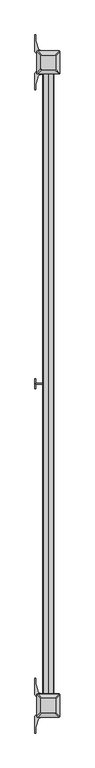
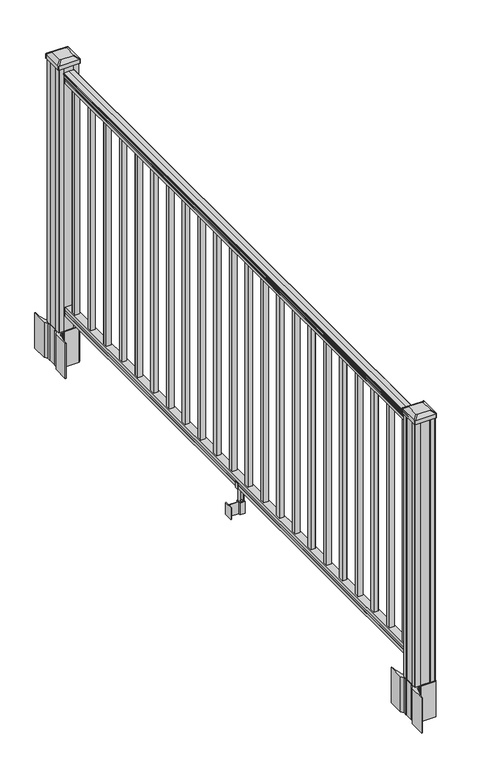
"""IFC4 building model written with IfcOpenShell, lengths in millimetres: railing geometry."""

from ifc_helpers import new_model, si_unit, point, frame, frame_2d, origin, origin_with_axes, place, context, project, spatial, polyline, circle_curve, trimmed, segment, composite_curve, outline, extrude, faceted_brep, source, transform, mapped, element, save
from ifc_brep_helpers import plane_surface, cylinder_surface, revolved_surface, extruded_surface, advanced_brep


def railing_958573cc(model_context):
    return source(origin(), model_context, "Body", "SolidModel", [
        advanced_brep(
        [(4857.2868644, -6834.1137002, 1090.8043297), (4857.2868644, -6834.1137002, 1092.692412), (4858.4170507, -6834.1137002, 1094.2546695), (4858.4170507, -6834.1137002, 1101.4726458), (4857.7677942, -6834.1137002, 1103.9060812), (4860.2677942, -6834.1137002, 1108.2362083), (4861.6771367, -6834.1137002, 1109.9157972), (4862.0790357, -6834.1137002, 1111.0205318), (4862.0790356, -6834.1137002, 1112.3608158), (4860.5255884, -6834.1137002, 1113.914263), (4839.8540356, -6834.1137002, 1113.914263), (4819.1824828, -6834.1137002, 1113.914263), (4817.6290356, -6834.1137002, 1112.3608158), (4817.6290356, -6834.1137002, 1111.0205318), (4818.0309345, -6834.1137002, 1109.9157972), (4819.440277, -6834.1137002, 1108.2362083), (4821.940277, -6834.1137002, 1103.9060812), (4821.2910206, -6834.1137002, 1101.4726458), (4821.2910206, -6834.1137002, 1094.2546695), (4822.4212069, -6834.1137002, 1092.692412), (4822.4212069, -6834.1137002, 1090.8043297), (4824.9950356, -6834.1137002, 1090.8043297), (4824.9950356, -6834.1137002, 1080.3048283), (4823.9790356, -6834.1137002, 1079.2888283), (4823.9790356, -6834.1137002, 1066.8), (4855.7290356, -6834.1137002, 1066.8), (4855.7290356, -6834.1137002, 1079.131013), (4854.7130356, -6834.1137002, 1080.147013), (4854.7130356, -6834.1137002, 1090.8043297), (4857.2868644, -4395.7137002, 1090.8043297), (4854.7130356, -4395.7137002, 1090.8043297), (4854.7130356, -4395.7137002, 1080.147013), (4855.7290356, -4395.7137002, 1079.131013), (4855.7290356, -4395.7137002, 1066.8), (4823.9790356, -4395.7137002, 1066.8), (4823.9790356, -4395.7137002, 1079.2888283), (4824.9950356, -4395.7137002, 1080.3048283), (4824.9950356, -4395.7137002, 1090.8043297), (4822.4212069, -4395.7137002, 1090.8043297), (4822.4212069, -4395.7137002, 1092.692412), (4821.2910206, -4395.7137002, 1094.2546695), (4821.2910206, -4395.7137002, 1101.4726458), (4821.940277, -4395.7137002, 1103.9060812), (4819.440277, -4395.7137002, 1108.2362083), (4818.0309345, -4395.7137002, 1109.9157972), (4817.6290355, -4395.7137002, 1111.0205318), (4817.6290356, -4395.7137002, 1112.3608158), (4819.1824828, -4395.7137002, 1113.914263), (4839.8540356, -4395.7137002, 1113.914263), (4860.5255884, -4395.7137002, 1113.914263), (4862.0790356, -4395.7137002, 1112.3608158), (4862.0790356, -4395.7137002, 1111.0205318), (4861.6771367, -4395.7137002, 1109.9157972), (4860.2677942, -4395.7137002, 1108.2362083), (4857.7677942, -4395.7137002, 1103.9060812), (4858.4170507, -4395.7137002, 1101.4726458), (4858.4170507, -4395.7137002, 1094.2546695), (4857.2868644, -4395.7137002, 1092.692412)],
        [
            (0, 1),
            (1, 2, circle_curve(frame((4850.9721111, -6834.1137002, 1098.4506383), z_axis=(0.0, -1.0, 0.0), x_axis=(-1.0, 0.0, 0.0)), 8.545951)),
            (2, 3, circle_curve(frame((4851.409174, -6834.1137002, 1097.8636577), z_axis=(0.0, -1.0, 0.0), x_axis=(-1.0, 0.0, 0.0)), 7.882584)),
            (3, 4, circle_curve(frame((4861.9224982, -6834.1137002, 1103.7112527), z_axis=(0.0, 1.0, 0.0), x_axis=(-1.0, 0.0, 0.0)), 4.1592695)),
            (4, 5, circle_curve(frame((4863.2098047, -6834.1137002, 1103.6508864), z_axis=(0.0, 1.0, 0.0), x_axis=(-1.0, 0.0, 0.0)), 5.4479907)),
            (5, 6, circle_curve(frame((4861.9766463, -6834.1137002, 1108.233395), z_axis=(0.0, 1.0, 0.0), x_axis=(-1.0, 0.0, 0.0)), 1.7088543)),
            (6, 7, circle_curve(frame((4860.3597462, -6834.1137002, 1111.0205318), z_axis=(0.0, -1.0, 0.0), x_axis=(-1.0, 0.0, 0.0)), 1.7192895)),
            (7, 8),
            (8, 9, circle_curve(frame((4860.5255884, -6834.1137002, 1112.3608158), z_axis=(0.0, -1.0, 0.0), x_axis=(-1.0, 0.0, 0.0)), 1.5534472)),
            (9, 10),
            (10, 11),
            (11, 12, circle_curve(frame((4819.1824828, -6834.1137002, 1112.3608158), z_axis=(0.0, -1.0, 0.0), x_axis=(1.0, 0.0, 0.0)), 1.5534472)),
            (12, 13),
            (13, 14, circle_curve(frame((4819.348325, -6834.1137002, 1111.0205318), z_axis=(0.0, -1.0, 0.0), x_axis=(1.0, 0.0, 0.0)), 1.7192895)),
            (14, 15, circle_curve(frame((4817.731425, -6834.1137002, 1108.233395), z_axis=(0.0, 1.0, 0.0), x_axis=(1.0, 0.0, 0.0)), 1.7088543)),
            (15, 16, circle_curve(frame((4816.4982665, -6834.1137002, 1103.6508864), z_axis=(0.0, 1.0, 0.0), x_axis=(1.0, 0.0, 0.0)), 5.4479907)),
            (16, 17, circle_curve(frame((4817.7855731, -6834.1137002, 1103.7112527), z_axis=(0.0, 1.0, 0.0), x_axis=(1.0, 0.0, 0.0)), 4.1592695)),
            (17, 18, circle_curve(frame((4828.2988972, -6834.1137002, 1097.8636577), z_axis=(0.0, -1.0, 0.0), x_axis=(1.0, 0.0, 0.0)), 7.882584)),
            (18, 19, circle_curve(frame((4828.7359602, -6834.1137002, 1098.4506383), z_axis=(0.0, -1.0, 0.0), x_axis=(1.0, 0.0, 0.0)), 8.545951)),
            (19, 20),
            (20, 21, circle_curve(frame((4823.7081212, -6834.1137002, 1090.8043297), z_axis=(0.0, -1.0, 0.0), x_axis=(1.0, 0.0, 0.0)), 1.2869144)),
            (21, 22),
            (22, 23),
            (23, 24),
            (24, 25),
            (25, 26),
            (26, 27),
            (27, 28),
            (28, 0, circle_curve(frame((4855.99995, -6834.1137002, 1090.8043297), z_axis=(0.0, -1.0, 0.0), x_axis=(-1.0, 0.0, 0.0)), 1.2869144)),
            (29, 30, circle_curve(frame((4855.99995, -4395.7137002, 1090.8043297), z_axis=(0.0, 1.0, 0.0), x_axis=(-1.0, 0.0, 0.0)), 1.2869144)),
            (30, 31),
            (31, 32),
            (32, 33),
            (33, 34),
            (34, 35),
            (35, 36),
            (36, 37),
            (37, 38, circle_curve(frame((4823.7081212, -4395.7137002, 1090.8043297), z_axis=(0.0, 1.0, 0.0), x_axis=(1.0, 0.0, 0.0)), 1.2869144)),
            (38, 39),
            (39, 40, circle_curve(frame((4828.7359602, -4395.7137002, 1098.4506383), z_axis=(0.0, 1.0, 0.0), x_axis=(1.0, 0.0, 0.0)), 8.545951)),
            (40, 41, circle_curve(frame((4828.2988972, -4395.7137002, 1097.8636577), z_axis=(0.0, 1.0, 0.0), x_axis=(1.0, 0.0, 0.0)), 7.882584)),
            (41, 42, circle_curve(frame((4817.7855731, -4395.7137002, 1103.7112527), z_axis=(0.0, -1.0, 0.0), x_axis=(1.0, 0.0, 0.0)), 4.1592695)),
            (42, 43, circle_curve(frame((4816.4982665, -4395.7137002, 1103.6508864), z_axis=(0.0, -1.0, 0.0), x_axis=(1.0, 0.0, 0.0)), 5.4479907)),
            (43, 44, circle_curve(frame((4817.731425, -4395.7137002, 1108.233395), z_axis=(0.0, -1.0, 0.0), x_axis=(1.0, 0.0, 0.0)), 1.7088543)),
            (44, 45, circle_curve(frame((4819.348325, -4395.7137002, 1111.0205318), z_axis=(0.0, 1.0, 0.0), x_axis=(1.0, 0.0, 0.0)), 1.7192895)),
            (45, 46),
            (46, 47, circle_curve(frame((4819.1824828, -4395.7137002, 1112.3608158), z_axis=(0.0, 1.0, 0.0), x_axis=(1.0, 0.0, 0.0)), 1.5534472)),
            (47, 48),
            (48, 49),
            (49, 50, circle_curve(frame((4860.5255884, -4395.7137002, 1112.3608158), z_axis=(0.0, 1.0, 0.0), x_axis=(-1.0, 0.0, 0.0)), 1.5534472)),
            (50, 51),
            (51, 52, circle_curve(frame((4860.3597462, -4395.7137002, 1111.0205318), z_axis=(0.0, 1.0, 0.0), x_axis=(-1.0, 0.0, 0.0)), 1.7192895)),
            (52, 53, circle_curve(frame((4861.9766463, -4395.7137002, 1108.233395), z_axis=(0.0, -1.0, 0.0), x_axis=(-1.0, 0.0, 0.0)), 1.7088543)),
            (53, 54, circle_curve(frame((4863.2098047, -4395.7137002, 1103.6508864), z_axis=(0.0, -1.0, 0.0), x_axis=(-1.0, 0.0, 0.0)), 5.4479907)),
            (54, 55, circle_curve(frame((4861.9224982, -4395.7137002, 1103.7112527), z_axis=(0.0, -1.0, 0.0), x_axis=(-1.0, 0.0, 0.0)), 4.1592695)),
            (55, 56, circle_curve(frame((4851.409174, -4395.7137002, 1097.8636577), z_axis=(0.0, 1.0, 0.0), x_axis=(-1.0, 0.0, 0.0)), 7.882584)),
            (56, 57, circle_curve(frame((4850.9721111, -4395.7137002, 1098.4506383), z_axis=(0.0, 1.0, 0.0), x_axis=(-1.0, 0.0, 0.0)), 8.545951)),
            (57, 29),
            (28, 30),
            (29, 0),
            (27, 31),
            (26, 32),
            (25, 33),
            (24, 34),
            (23, 35),
            (22, 36),
            (21, 37),
            (20, 38),
            (19, 39),
            (18, 40),
            (17, 41),
            (16, 42),
            (15, 43),
            (14, 44),
            (13, 45),
            (12, 46),
            (11, 47),
            (10, 48),
            (9, 49),
            (8, 50),
            (7, 51),
            (6, 52),
            (5, 53),
            (4, 54),
            (3, 55),
            (2, 56),
            (1, 57),
        ],
        [
            plane_surface(frame((4839.8540356, -6834.1137002, 1066.8), z_axis=(0.0, -1.0, 0.0), x_axis=(0.0, 0.0, 1.0))),
            plane_surface(frame((4839.8540356, -4395.7137002, 1066.8), z_axis=(0.0, 1.0, 0.0), x_axis=(0.0, 0.0, 1.0))),
            cylinder_surface(frame((4855.99995, -6834.1137002, 1090.8043297), z_axis=(0.0, -1.0, 0.0), x_axis=(-1.0, 0.0, 0.0)), 1.2869144),
            plane_surface(frame((4854.7130356, -6834.1137002, 1080.147013), z_axis=(1.0, 0.0, 0.0), x_axis=(0.0, 1.0, 0.0))),
            plane_surface(frame((4855.7290356, -6834.1137002, 1079.131013), z_axis=(0.7071067811865395, 0.0, 0.7071067811865556), x_axis=(0.0, 1.0, 0.0))),
            plane_surface(frame((4855.7290356, -6834.1137002, 1066.8), z_axis=(1.0, 0.0, 0.0), x_axis=(0.0, 1.0, 0.0))),
            plane_surface(frame((4823.9790356, -6834.1137002, 1066.8), z_axis=(0.0, 0.0, -1.0), x_axis=(0.0, 1.0, 0.0))),
            plane_surface(frame((4823.9790356, -6834.1137002, 1079.2888283), z_axis=(-1.0, 0.0, 0.0), x_axis=(0.0, 1.0, 0.0))),
            plane_surface(frame((4824.9950356, -6834.1137002, 1080.3048283), z_axis=(-0.7071067811865432, 0.0, 0.707106781186552), x_axis=(0.0, 1.0, 0.0))),
            plane_surface(frame((4824.9950356, -6834.1137002, 1090.8043297), z_axis=(-1.0, 0.0, 0.0), x_axis=(0.0, 1.0, 0.0))),
            cylinder_surface(frame((4823.7081212, -6834.1137002, 1090.8043297), z_axis=(0.0, -1.0, 0.0), x_axis=(1.0, 0.0, 0.0)), 1.2869144),
            plane_surface(frame((4822.4212069, -6834.1137002, 1092.692412), z_axis=(-1.0, 0.0, 0.0), x_axis=(0.0, 1.0, 0.0))),
            cylinder_surface(frame((4828.7359602, -6834.1137002, 1098.4506383), z_axis=(0.0, -1.0, 0.0), x_axis=(1.0, 0.0, 0.0)), 8.545951),
            cylinder_surface(frame((4828.2988972, -6834.1137002, 1097.8636577), z_axis=(0.0, -1.0, 0.0), x_axis=(1.0, 0.0, 0.0)), 7.882584),
            revolved_surface(polyline([(4821.9448426, -4395.7137002, 1103.7112527), (4821.9448426, -6834.1137002, 1103.7112527)]), (4817.7855731, -6834.1137002, 1103.7112527), (0.0, 1.0, 0.0)),
            revolved_surface(polyline([(4821.9462572, -4395.7137002, 1103.6508864), (4821.9462572, -6834.1137002, 1103.6508864)]), (4816.4982665, -6834.1137002, 1103.6508864), (0.0, 1.0, 0.0)),
            revolved_surface(polyline([(4819.4402793, -4395.7137002, 1108.233395), (4819.4402793, -6834.1137002, 1108.233395)]), (4817.731425, -6834.1137002, 1108.233395), (0.0, 1.0, 0.0)),
            cylinder_surface(frame((4819.348325, -6834.1137002, 1111.0205318), z_axis=(0.0, -1.0, 0.0), x_axis=(1.0, 0.0, 0.0)), 1.7192895),
            plane_surface(frame((4817.6290356, -6834.1137002, 1112.3608158), z_axis=(-1.0, 0.0, 0.0), x_axis=(0.0, 1.0, 0.0))),
            cylinder_surface(frame((4819.1824828, -6834.1137002, 1112.3608158), z_axis=(0.0, -1.0, 0.0), x_axis=(1.0, 0.0, 0.0)), 1.5534472),
            plane_surface(frame((4839.8540356, -6834.1137002, 1113.914263), z_axis=(0.0, 0.0, 1.0), x_axis=(0.0, 1.0, 0.0))),
            plane_surface(frame((4860.5255884, -6834.1137002, 1113.914263), z_axis=(0.0, 0.0, 1.0), x_axis=(0.0, 1.0, 0.0))),
            cylinder_surface(frame((4860.5255884, -6834.1137002, 1112.3608158), z_axis=(0.0, -1.0, 0.0), x_axis=(-1.0, 0.0, 0.0)), 1.5534472),
            plane_surface(frame((4862.0790356, -6834.1137002, 1111.0205318), z_axis=(1.0, 0.0, 0.0), x_axis=(0.0, 1.0, 0.0))),
            cylinder_surface(frame((4860.3597462, -6834.1137002, 1111.0205318), z_axis=(0.0, -1.0, 0.0), x_axis=(-1.0, 0.0, 0.0)), 1.7192895),
            revolved_surface(polyline([(4860.267792, -4395.7137002, 1108.233395), (4860.267792, -6834.1137002, 1108.233395)]), (4861.9766463, -6834.1137002, 1108.233395), (0.0, 1.0, 0.0)),
            revolved_surface(polyline([(4857.7618139999995, -4395.7137002, 1103.6508864), (4857.7618139999995, -6834.1137002, 1103.6508864)]), (4863.2098047, -6834.1137002, 1103.6508864), (0.0, 1.0, 0.0)),
            revolved_surface(polyline([(4857.7632287, -4395.7137002, 1103.7112527), (4857.7632287, -6834.1137002, 1103.7112527)]), (4861.9224982, -6834.1137002, 1103.7112527), (0.0, 1.0, 0.0)),
            cylinder_surface(frame((4851.409174, -6834.1137002, 1097.8636577), z_axis=(0.0, -1.0, 0.0), x_axis=(-1.0, 0.0, 0.0)), 7.882584),
            cylinder_surface(frame((4850.9721111, -6834.1137002, 1098.4506383), z_axis=(0.0, -1.0, 0.0), x_axis=(-1.0, 0.0, 0.0)), 8.545951),
            plane_surface(frame((4857.2868644, -6834.1137002, 1090.8043297), z_axis=(1.0, 0.0, 0.0), x_axis=(0.0, 1.0, 0.0))),
        ],
        [
            (0, [[1, 2, 3, 4, 5, 6, 7, 8, 9, 10, 11, 12, 13, 14, 15, 16, 17, 18, 19, 20, 21, 22, 23, 24, 25, 26, 27, 28, 29]]),
            (1, [[30, 31, 32, 33, 34, 35, 36, 37, 38, 39, 40, 41, 42, 43, 44, 45, 46, 47, 48, 49, 50, 51, 52, 53, 54, 55, 56, 57, 58]]),
            (2, [[-29, 59, -30, 60]]),
            (3, [[-28, 61, -31, -59]]),
            (4, [[-27, 62, -32, -61]]),
            (5, [[-26, 63, -33, -62]]),
            (6, [[-25, 64, -34, -63]]),
            (7, [[-24, 65, -35, -64]]),
            (8, [[-23, 66, -36, -65]]),
            (9, [[-22, 67, -37, -66]]),
            (10, [[-21, 68, -38, -67]]),
            (11, [[-20, 69, -39, -68]]),
            (12, [[-19, 70, -40, -69]]),
            (13, [[-18, 71, -41, -70]]),
            (14, [[-17, 72, -42, -71]]),
            (15, [[-16, 73, -43, -72]]),
            (16, [[-15, 74, -44, -73]]),
            (17, [[-14, 75, -45, -74]]),
            (18, [[-13, 76, -46, -75]]),
            (19, [[-12, 77, -47, -76]]),
            (20, [[-11, 78, -48, -77]]),
            (21, [[-10, 79, -49, -78]]),
            (22, [[-9, 80, -50, -79]]),
            (23, [[-8, 81, -51, -80]]),
            (24, [[-7, 82, -52, -81]]),
            (25, [[-6, 83, -53, -82]]),
            (26, [[-5, 84, -54, -83]]),
            (27, [[-4, 85, -55, -84]]),
            (28, [[-3, 86, -56, -85]]),
            (29, [[-2, 87, -57, -86]]),
            (30, [[-1, -60, -58, -87]]),
        ],
    ),
        faceted_brep([(4855.7665225, -6834.1137002, 76.0541976), (4854.7505225, -6834.1137002, 77.3546183), (4854.7505225, -6834.1137002, 87.7141717), (4855.7665225, -6834.1137002, 89.0624492), (4855.7665225, -6834.1137002, 101.5958781), (4824.0165225, -6834.1137002, 101.5958781), (4824.0165225, -6834.1137002, 89.0458024), (4825.0325225, -6834.1137002, 87.6975248), (4825.0325225, -6834.1137002, 77.3858283), (4824.0165225, -6834.1137002, 76.0375508), (4824.0165225, -6834.1137002, 63.5), (4855.7665225, -6834.1137002, 63.5), (4855.7665225, -4395.7137002, 76.0541976), (4855.7665225, -4395.7137002, 63.5), (4824.0165225, -4395.7137002, 63.5), (4824.0165225, -4395.7137002, 76.0375508), (4825.0325225, -4395.7137002, 77.3858283), (4825.0325225, -4395.7137002, 87.6975248), (4824.0165225, -4395.7137002, 89.0458024), (4824.0165225, -4395.7137002, 101.5958781), (4855.7665225, -4395.7137002, 101.5958781), (4855.7665225, -4395.7137002, 89.0624492), (4854.7505225, -4395.7137002, 87.7141717), (4854.7505225, -4395.7137002, 77.3546183)], [[[0, 1, 2, 3, 4, 5, 6, 7, 8, 9, 10, 11]], [[12, 13, 14, 15, 16, 17, 18, 19, 20, 21, 22, 23]], [[0, 11, 13, 12]], [[11, 10, 14, 13]], [[10, 9, 15, 14]], [[9, 8, 16, 15]], [[8, 7, 17, 16]], [[7, 6, 18, 17]], [[6, 5, 19, 18]], [[5, 4, 20, 19]], [[4, 3, 21, 20]], [[3, 2, 22, 21]], [[2, 1, 23, 22]], [[1, 0, 12, 23]]]),
        extrude(outline(polyline([(4849.3790356, -4455.0227002), (4830.3290356, -4455.0227002), (4830.3290356, -4435.9727002), (4849.3790356, -4435.9727002), (4849.3790356, -4455.0227002)]), holes=[polyline([(4848.9821606, -4454.6258252), (4848.9821606, -4436.3695752), (4830.7259106, -4436.3695752), (4830.7259106, -4454.6258252), (4848.9821606, -4454.6258252)])]), frame((0.0, 0.0, 101.5958781), z_axis=(0.0, 0.0, 1.0), x_axis=(1.0, 0.0, 0.0)), (0.0, 0.0, 1.0), 965.2041219),
        extrude(outline(polyline([(4849.3790356, -4566.2747002), (4830.3290356, -4566.2747002), (4830.3290356, -4547.2247002), (4849.3790356, -4547.2247002), (4849.3790356, -4566.2747002)]), holes=[polyline([(4848.9821606, -4565.8778252), (4848.9821606, -4547.6215752), (4830.7259106, -4547.6215752), (4830.7259106, -4565.8778252), (4848.9821606, -4565.8778252)])]), frame((0.0, 0.0, 101.5958781), z_axis=(0.0, 0.0, 1.0), x_axis=(1.0, 0.0, 0.0)), (0.0, 0.0, 1.0), 965.2041219),
        extrude(outline(polyline([(4849.3790356, -4677.5267002), (4830.3290356, -4677.5267002), (4830.3290356, -4658.4767002), (4849.3790356, -4658.4767002), (4849.3790356, -4677.5267002)]), holes=[polyline([(4848.9821606, -4677.1298252), (4848.9821606, -4658.8735752), (4830.7259106, -4658.8735752), (4830.7259106, -4677.1298252), (4848.9821606, -4677.1298252)])]), frame((0.0, 0.0, 101.5958781), z_axis=(0.0, 0.0, 1.0), x_axis=(1.0, 0.0, 0.0)), (0.0, 0.0, 1.0), 965.2041219),
        extrude(outline(polyline([(4849.3790356, -4788.7787002), (4830.3290356, -4788.7787002), (4830.3290356, -4769.7287002), (4849.3790356, -4769.7287002), (4849.3790356, -4788.7787002)]), holes=[polyline([(4848.9821606, -4788.3818252), (4848.9821606, -4770.1255752), (4830.7259106, -4770.1255752), (4830.7259106, -4788.3818252), (4848.9821606, -4788.3818252)])]), frame((0.0, 0.0, 101.5958781), z_axis=(0.0, 0.0, 1.0), x_axis=(1.0, 0.0, 0.0)), (0.0, 0.0, 1.0), 965.2041219),
        extrude(outline(polyline([(4849.3790356, -4900.0307002), (4830.3290356, -4900.0307002), (4830.3290356, -4880.9807002), (4849.3790356, -4880.9807002), (4849.3790356, -4900.0307002)]), holes=[polyline([(4848.9821606, -4899.6338252), (4848.9821606, -4881.3775752), (4830.7259106, -4881.3775752), (4830.7259106, -4899.6338252), (4848.9821606, -4899.6338252)])]), frame((0.0, 0.0, 101.5958781), z_axis=(0.0, 0.0, 1.0), x_axis=(1.0, 0.0, 0.0)), (0.0, 0.0, 1.0), 965.2041219),
        extrude(outline(polyline([(4849.3790356, -5011.2827002), (4830.3290356, -5011.2827002), (4830.3290356, -4992.2327002), (4849.3790356, -4992.2327002), (4849.3790356, -5011.2827002)]), holes=[polyline([(4848.9821606, -5010.8858252), (4848.9821606, -4992.6295752), (4830.7259106, -4992.6295752), (4830.7259106, -5010.8858252), (4848.9821606, -5010.8858252)])]), frame((0.0, 0.0, 101.5958781), z_axis=(0.0, 0.0, 1.0), x_axis=(1.0, 0.0, 0.0)), (0.0, 0.0, 1.0), 965.2041219),
        extrude(outline(polyline([(4849.3790356, -5122.5347002), (4830.3290356, -5122.5347002), (4830.3290356, -5103.4847002), (4849.3790356, -5103.4847002), (4849.3790356, -5122.5347002)]), holes=[polyline([(4848.9821606, -5122.1378252), (4848.9821606, -5103.8815752), (4830.7259106, -5103.8815752), (4830.7259106, -5122.1378252), (4848.9821606, -5122.1378252)])]), frame((0.0, 0.0, 101.5958781), z_axis=(0.0, 0.0, 1.0), x_axis=(1.0, 0.0, 0.0)), (0.0, 0.0, 1.0), 965.2041219),
        extrude(outline(polyline([(4849.3790356, -5233.7867002), (4830.3290356, -5233.7867002), (4830.3290356, -5214.7367002), (4849.3790356, -5214.7367002), (4849.3790356, -5233.7867002)]), holes=[polyline([(4848.9821606, -5233.3898252), (4848.9821606, -5215.1335752), (4830.7259106, -5215.1335752), (4830.7259106, -5233.3898252), (4848.9821606, -5233.3898252)])]), frame((0.0, 0.0, 101.5958781), z_axis=(0.0, 0.0, 1.0), x_axis=(1.0, 0.0, 0.0)), (0.0, 0.0, 1.0), 965.2041219),
        extrude(outline(polyline([(4849.3790356, -5345.0387002), (4830.3290356, -5345.0387002), (4830.3290356, -5325.9887002), (4849.3790356, -5325.9887002), (4849.3790356, -5345.0387002)]), holes=[polyline([(4848.9821606, -5344.6418252), (4848.9821606, -5326.3855752), (4830.7259106, -5326.3855752), (4830.7259106, -5344.6418252), (4848.9821606, -5344.6418252)])]), frame((0.0, 0.0, 101.5958781), z_axis=(0.0, 0.0, 1.0), x_axis=(1.0, 0.0, 0.0)), (0.0, 0.0, 1.0), 965.2041219),
        extrude(outline(polyline([(4849.3790356, -5456.2907002), (4830.3290356, -5456.2907002), (4830.3290356, -5437.2407002), (4849.3790356, -5437.2407002), (4849.3790356, -5456.2907002)]), holes=[polyline([(4848.9821606, -5455.8938252), (4848.9821606, -5437.6375752), (4830.7259106, -5437.6375752), (4830.7259106, -5455.8938252), (4848.9821606, -5455.8938252)])]), frame((0.0, 0.0, 101.5958781), z_axis=(0.0, 0.0, 1.0), x_axis=(1.0, 0.0, 0.0)), (0.0, 0.0, 1.0), 965.2041219),
        extrude(outline(polyline([(4849.3790356, -5567.5427002), (4830.3290356, -5567.5427002), (4830.3290356, -5548.4927002), (4849.3790356, -5548.4927002), (4849.3790356, -5567.5427002)]), holes=[polyline([(4848.9821606, -5567.1458252), (4848.9821606, -5548.8895752), (4830.7259106, -5548.8895752), (4830.7259106, -5567.1458252), (4848.9821606, -5567.1458252)])]), frame((0.0, 0.0, 101.5958781), z_axis=(0.0, 0.0, 1.0), x_axis=(1.0, 0.0, 0.0)), (0.0, 0.0, 1.0), 965.2041219),
        extrude(outline(polyline([(4829.1860358, -5614.9137002), (4789.8160356, -5614.9137002), (4789.8160356, -5612.3737002), (4829.1860358, -5612.3737002), (4829.1860358, -5614.9137002)])), frame((0.0, 0.0, -50.8), z_axis=(0.0, 0.0, 1.0), x_axis=(1.0, 0.0, 0.0)), (0.0, 0.0, 1.0), 50.8),
        extrude(outline(polyline([(4789.8160356, -5632.6937002), (4787.2760356, -5632.6937002), (4787.2760356, -5594.5937002), (4789.8160356, -5594.5937002), (4789.8160356, -5632.6937002)])), frame((0.0, 0.0, -50.8), z_axis=(0.0, 0.0, 1.0), x_axis=(1.0, 0.0, 0.0)), (0.0, 0.0, 1.0), 50.8),
        extrude(outline(polyline([(4850.5220364, -5623.5497002), (4829.1860358, -5623.5497002), (4829.1860358, -5603.7377002), (4850.5220364, -5603.7377002), (4850.5220364, -5623.5497002)]), holes=[polyline([(4847.2200363, -5621.0097002), (4847.2200363, -5606.2777002), (4832.4880359, -5606.2777002), (4832.4880359, -5621.0097002), (4847.2200363, -5621.0097002)])]), frame((0.0, 0.0, -50.8), z_axis=(0.0, 0.0, 1.0), x_axis=(1.0, 0.0, 0.0)), (0.0, 0.0, 1.0), 50.8),
        extrude(outline(polyline([(88.7203979, 4821.6930368), (87.9583969, 4820.9310358), (61.4680023, 4820.9310358), (60.7060013, 4821.6930368), (60.7060013, 4831.7260358), (59.9440012, 4832.4880359), (-3.5559988, 4832.4880359), (-3.5559988, 4847.2200363), (59.9440012, 4847.2200363), (60.7060013, 4847.9820364), (60.7060013, 4858.0150354), (61.4680023, 4858.7770364), (87.9583969, 4858.7770364), (88.7203979, 4858.0150354), (88.7203979, 4855.9830358), (87.7043953, 4854.967036), (77.2686081, 4854.967036), (76.2526073, 4855.9830358), (64.262001, 4855.9830358), (63.5000019, 4855.2210367), (63.5000019, 4824.4870355), (64.262001, 4823.7250364), (76.2526073, 4823.7250364), (77.2686081, 4824.7410362), (87.7043953, 4824.7410362), (88.7203979, 4823.7250364), (88.7203979, 4821.6930368)]), holes=[polyline([(60.7060013, 4843.283036), (59.9440012, 4844.0450361), (3.9370031, 4844.0450361), (3.1750031, 4843.283036), (3.1750031, 4836.4250333), (3.9370003, 4835.6630361), (59.9440012, 4835.6630361), (60.7060013, 4836.4250362), (60.7060013, 4843.283036)])]), frame((0.0, -5621.0097002, 0.0), z_axis=(0.0, 1.0, 0.0), x_axis=(0.0, 0.0, 1.0)), (0.0, 0.0, 1.0), 14.732),
        extrude(outline(polyline([(4849.3790356, -5678.7947002), (4830.3290356, -5678.7947002), (4830.3290356, -5659.7447002), (4849.3790356, -5659.7447002), (4849.3790356, -5678.7947002)]), holes=[polyline([(4848.9821606, -5678.3978252), (4848.9821606, -5660.1415752), (4830.7259106, -5660.1415752), (4830.7259106, -5678.3978252), (4848.9821606, -5678.3978252)])]), frame((0.0, 0.0, 101.5958781), z_axis=(0.0, 0.0, 1.0), x_axis=(1.0, 0.0, 0.0)), (0.0, 0.0, 1.0), 965.2041219),
        extrude(outline(polyline([(4849.3790356, -5790.0467002), (4830.3290356, -5790.0467002), (4830.3290356, -5770.9967002), (4849.3790356, -5770.9967002), (4849.3790356, -5790.0467002)]), holes=[polyline([(4848.9821606, -5789.6498252), (4848.9821606, -5771.3935752), (4830.7259106, -5771.3935752), (4830.7259106, -5789.6498252), (4848.9821606, -5789.6498252)])]), frame((0.0, 0.0, 101.5958781), z_axis=(0.0, 0.0, 1.0), x_axis=(1.0, 0.0, 0.0)), (0.0, 0.0, 1.0), 965.2041219),
        extrude(outline(polyline([(4849.3790356, -5901.2987002), (4830.3290356, -5901.2987002), (4830.3290356, -5882.2487002), (4849.3790356, -5882.2487002), (4849.3790356, -5901.2987002)]), holes=[polyline([(4848.9821606, -5900.9018252), (4848.9821606, -5882.6455752), (4830.7259106, -5882.6455752), (4830.7259106, -5900.9018252), (4848.9821606, -5900.9018252)])]), frame((0.0, 0.0, 101.5958781), z_axis=(0.0, 0.0, 1.0), x_axis=(1.0, 0.0, 0.0)), (0.0, 0.0, 1.0), 965.2041219),
        extrude(outline(polyline([(4849.3790356, -6012.5507002), (4830.3290356, -6012.5507002), (4830.3290356, -5993.5007002), (4849.3790356, -5993.5007002), (4849.3790356, -6012.5507002)]), holes=[polyline([(4848.9821606, -6012.1538252), (4848.9821606, -5993.8975752), (4830.7259106, -5993.8975752), (4830.7259106, -6012.1538252), (4848.9821606, -6012.1538252)])]), frame((0.0, 0.0, 101.5958781), z_axis=(0.0, 0.0, 1.0), x_axis=(1.0, 0.0, 0.0)), (0.0, 0.0, 1.0), 965.2041219),
        extrude(outline(polyline([(4849.3790356, -6123.8027002), (4830.3290356, -6123.8027002), (4830.3290356, -6104.7527002), (4849.3790356, -6104.7527002), (4849.3790356, -6123.8027002)]), holes=[polyline([(4848.9821606, -6123.4058252), (4848.9821606, -6105.1495752), (4830.7259106, -6105.1495752), (4830.7259106, -6123.4058252), (4848.9821606, -6123.4058252)])]), frame((0.0, 0.0, 101.5958781), z_axis=(0.0, 0.0, 1.0), x_axis=(1.0, 0.0, 0.0)), (0.0, 0.0, 1.0), 965.2041219),
        extrude(outline(polyline([(4849.3790356, -6235.0547002), (4830.3290356, -6235.0547002), (4830.3290356, -6216.0047002), (4849.3790356, -6216.0047002), (4849.3790356, -6235.0547002)]), holes=[polyline([(4848.9821606, -6234.6578252), (4848.9821606, -6216.4015752), (4830.7259106, -6216.4015752), (4830.7259106, -6234.6578252), (4848.9821606, -6234.6578252)])]), frame((0.0, 0.0, 101.5958781), z_axis=(0.0, 0.0, 1.0), x_axis=(1.0, 0.0, 0.0)), (0.0, 0.0, 1.0), 965.2041219),
        extrude(outline(polyline([(4849.3790356, -6346.3067002), (4830.3290356, -6346.3067002), (4830.3290356, -6327.2567002), (4849.3790356, -6327.2567002), (4849.3790356, -6346.3067002)]), holes=[polyline([(4848.9821606, -6345.9098252), (4848.9821606, -6327.6535752), (4830.7259106, -6327.6535752), (4830.7259106, -6345.9098252), (4848.9821606, -6345.9098252)])]), frame((0.0, 0.0, 101.5958781), z_axis=(0.0, 0.0, 1.0), x_axis=(1.0, 0.0, 0.0)), (0.0, 0.0, 1.0), 965.2041219),
        extrude(outline(polyline([(4849.3790356, -6457.5587002), (4830.3290356, -6457.5587002), (4830.3290356, -6438.5087002), (4849.3790356, -6438.5087002), (4849.3790356, -6457.5587002)]), holes=[polyline([(4848.9821606, -6457.1618252), (4848.9821606, -6438.9055752), (4830.7259106, -6438.9055752), (4830.7259106, -6457.1618252), (4848.9821606, -6457.1618252)])]), frame((0.0, 0.0, 101.5958781), z_axis=(0.0, 0.0, 1.0), x_axis=(1.0, 0.0, 0.0)), (0.0, 0.0, 1.0), 965.2041219),
        extrude(outline(polyline([(4849.3790356, -6568.8107002), (4830.3290356, -6568.8107002), (4830.3290356, -6549.7607002), (4849.3790356, -6549.7607002), (4849.3790356, -6568.8107002)]), holes=[polyline([(4848.9821606, -6568.4138252), (4848.9821606, -6550.1575752), (4830.7259106, -6550.1575752), (4830.7259106, -6568.4138252), (4848.9821606, -6568.4138252)])]), frame((0.0, 0.0, 101.5958781), z_axis=(0.0, 0.0, 1.0), x_axis=(1.0, 0.0, 0.0)), (0.0, 0.0, 1.0), 965.2041219),
        extrude(outline(polyline([(4849.3790356, -6680.0627002), (4830.3290356, -6680.0627002), (4830.3290356, -6661.0127002), (4849.3790356, -6661.0127002), (4849.3790356, -6680.0627002)]), holes=[polyline([(4848.9821606, -6679.6658252), (4848.9821606, -6661.4095752), (4830.7259106, -6661.4095752), (4830.7259106, -6679.6658252), (4848.9821606, -6679.6658252)])]), frame((0.0, 0.0, 101.5958781), z_axis=(0.0, 0.0, 1.0), x_axis=(1.0, 0.0, 0.0)), (0.0, 0.0, 1.0), 965.2041219),
        extrude(outline(polyline([(4849.3790356, -6791.3147002), (4830.3290356, -6791.3147002), (4830.3290356, -6772.2647002), (4849.3790356, -6772.2647002), (4849.3790356, -6791.3147002)]), holes=[polyline([(4848.9821606, -6790.9178252), (4848.9821606, -6772.6615752), (4830.7259106, -6772.6615752), (4830.7259106, -6790.9178252), (4848.9821606, -6790.9178252)])]), frame((0.0, 0.0, 101.5958781), z_axis=(0.0, 0.0, 1.0), x_axis=(1.0, 0.0, 0.0)), (0.0, 0.0, 1.0), 965.2041219),
        extrude(outline(composite_curve([segment(polyline([(4882.5895356, -4371.6977951), (4884.1770356, -4372.4597951), (4884.1770356, -4395.2617232), (4880.8040586, -4398.6347002), (4819.3443877, -4398.6347002), (4819.3443877, -4399.5554502), (4814.0268439, -4399.5554502), (4814.0268439, -4401.0097049), (4808.9423142, -4401.0097049), (4808.9423142, -4402.2937288), (4807.2750419, -4402.2937288)]), True, "CONTINUOUS"), segment(trimmed(circle_curve(frame_2d((4807.2750419, -4409.3531886)), 7.0594599), [point((4807.2750419, -4402.2937288))], [point((4800.507779, -4407.3431819))], True, "CARTESIAN"), True, "CONTINUOUS"), segment(polyline([(4800.507779, -4407.3431819), (4792.6335848, -4433.853911)]), True, "CONTINUOUS"), segment(trimmed(circle_curve(frame_2d((4847.4180981, -4450.1259607)), 57.15), [point((4792.6335848, -4433.853911))], [point((4790.2680981, -4450.1259607))], True, "CARTESIAN"), True, "CONTINUOUS"), segment(polyline([(4790.2680981, -4450.1259607), (4790.2680981, -4462.1347002), (4787.2680981, -4462.1347002), (4787.2680981, -4397.0472002), (4795.5310356, -4385.7089089), (4795.5310356, -4372.4597951), (4797.1185356, -4371.6977951), (4797.1185356, -4336.9256054), (4795.5310356, -4336.1636054), (4795.5310356, -4322.9144916), (4787.2680981, -4311.5762002), (4787.2680981, -4246.4887002), (4790.2680981, -4246.4887002), (4790.2680981, -4258.4974398)]), True, "CONTINUOUS"), segment(trimmed(circle_curve(frame_2d((4847.4180981, -4258.4974398)), 57.15), [point((4790.2680981, -4258.4974398))], [point((4792.6335848, -4274.7694894))], True, "CARTESIAN"), True, "CONTINUOUS"), segment(polyline([(4792.6335848, -4274.7694894), (4800.507779, -4301.2802185)]), True, "CONTINUOUS"), segment(trimmed(circle_curve(frame_2d((4807.2750419, -4299.2702119)), 7.0594599), [point((4800.507779, -4301.2802185))], [point((4807.2750419, -4306.3296717))], True, "CARTESIAN"), True, "CONTINUOUS"), segment(polyline([(4807.2750419, -4306.3296717), (4808.9423142, -4306.3296717), (4808.9423142, -4307.6136955), (4814.0268439, -4307.6136955), (4814.0268439, -4309.0679502), (4819.3443877, -4309.0679502), (4819.3443877, -4309.9887002), (4880.8040586, -4309.9887002), (4884.1770356, -4313.3616773), (4884.1770356, -4336.1636054), (4882.5895356, -4336.9256054), (4882.5895356, -4371.6977951)]), True, "CONTINUOUS")], self_intersect=False), holes=[polyline([(4798.5790356, -4314.6242002), (4798.5790356, -4393.9992002), (4800.1665356, -4395.5867002), (4837.0908182, -4395.5867002), (4879.5415356, -4395.5867002), (4881.1290356, -4393.9992002), (4881.1290356, -4314.6242002), (4879.5415356, -4313.0367002), (4837.0908182, -4313.0367002), (4800.1665356, -4313.0367002), (4798.5790356, -4314.6242002)])]), frame((0.0, 0.0, -152.4), z_axis=(0.0, 0.0, 1.0), x_axis=(1.0, 0.0, 0.0)), (0.0, 0.0, 1.0), 152.4),
        advanced_brep(
        [(4814.0571606, -4383.2835752, 1165.225), (4865.6509106, -4383.2835752, 1165.225), (4868.8259106, -4380.1085752, 1165.225), (4868.8259106, -4328.5148252, 1165.225), (4865.6509106, -4325.3398252, 1165.225), (4814.0571606, -4325.3398252, 1165.225), (4810.8821606, -4328.5148252, 1165.225), (4810.8821606, -4380.1085752, 1165.225), (4797.7852856, -4399.5554502, 1153.922), (4794.6102856, -4396.3804502, 1153.922), (4794.6102856, -4312.2429502, 1153.922), (4797.7852856, -4309.0679502, 1153.922), (4881.9227856, -4309.0679502, 1153.922), (4885.0977856, -4312.2429502, 1153.922), (4885.0977856, -4396.3804502, 1153.922), (4881.9227856, -4399.5554502, 1153.922)],
        [
            (0, 1),
            (1, 2, circle_curve(frame((4865.6509106, -4380.1085752, 1165.225), z_axis=(0.0, 0.0, 1.0), x_axis=(0.0, 1.0, 0.0)), 3.175)),
            (2, 3),
            (3, 4, circle_curve(frame((4865.6509106, -4328.5148252, 1165.225), z_axis=(0.0, 0.0, 1.0), x_axis=(0.0, 1.0, 0.0)), 3.175)),
            (4, 5),
            (5, 6, circle_curve(frame((4814.0571606, -4328.5148252, 1165.225), z_axis=(0.0, 0.0, 1.0), x_axis=(0.0, 1.0, 0.0)), 3.175)),
            (6, 7),
            (7, 0, circle_curve(frame((4814.0571606, -4380.1085752, 1165.225), z_axis=(0.0, 0.0, 1.0), x_axis=(0.0, 1.0, 0.0)), 3.175)),
            (8, 9, circle_curve(frame((4797.7852856, -4396.3804502, 1153.922), z_axis=(0.0, 0.0, -1.0), x_axis=(0.0, 1.0, 0.0)), 3.175)),
            (9, 10),
            (10, 11, circle_curve(frame((4797.7852856, -4312.2429502, 1153.922), z_axis=(0.0, 0.0, -1.0), x_axis=(0.0, 1.0, 0.0)), 3.175)),
            (11, 12),
            (12, 13, circle_curve(frame((4881.9227856, -4312.2429502, 1153.922), z_axis=(0.0, 0.0, -1.0), x_axis=(0.0, 1.0, 0.0)), 3.175)),
            (13, 14),
            (14, 15, circle_curve(frame((4881.9227856, -4396.3804502, 1153.922), z_axis=(0.0, 0.0, -1.0), x_axis=(0.0, 1.0, 0.0)), 3.175)),
            (15, 8),
            (8, 0),
            (7, 9),
            (6, 10),
            (5, 11),
            (4, 12),
            (3, 13),
            (2, 14),
            (1, 15),
        ],
        [
            plane_surface(frame((4839.8540356, -4354.3117002, 1165.225), z_axis=(0.0, 0.0, 1.0), x_axis=(-1.0, 0.0, 0.0))),
            plane_surface(frame((4839.8540356, -4354.3117002, 1153.922), z_axis=(0.0, 0.0, -1.0), x_axis=(-1.0, 0.0, 0.0))),
            extruded_surface(trimmed(circle_curve(frame((4814.0571606, -4380.1085752, 1165.225), z_axis=(0.0, 0.0, -1.0), x_axis=(0.0, 1.0, 0.0)), 3.175), [point((4814.0571606, -4383.2835752, 1165.225))], [point((4810.8821606, -4380.1085752, 1165.225))], True, "CARTESIAN"), (-16.271875000000364, -16.271875000000364, -11.302999999999884), 25.63797263886657),
            plane_surface(frame((4794.6102856, -4354.3117002, 1153.922), z_axis=(-0.5705009161540777, 0.0, 0.8212969649690409), x_axis=(0.0, 1.0, 0.0))),
            extruded_surface(trimmed(circle_curve(frame((4814.0571606, -4328.5148252, 1165.225), z_axis=(0.0, 0.0, -1.0), x_axis=(0.0, 1.0, 0.0)), 3.175), [point((4810.8821606, -4328.5148252, 1165.225))], [point((4814.0571606, -4325.3398252, 1165.225))], True, "CARTESIAN"), (-16.271875000000364, 16.271874999999454, -11.302999999999884), 25.637972638865996),
            plane_surface(frame((4839.8540356, -4309.0679502, 1153.922), z_axis=(0.0, 0.5705009161540291, 0.8212969649690747), x_axis=(1.0, 0.0, 0.0))),
            extruded_surface(trimmed(circle_curve(frame((4865.6509106, -4328.5148252, 1165.225), z_axis=(0.0, 0.0, -1.0), x_axis=(0.0, 1.0, 0.0)), 3.175), [point((4865.6509106, -4325.3398252, 1165.225))], [point((4868.8259106, -4328.5148252, 1165.225))], True, "CARTESIAN"), (16.271874999999454, 16.271874999999454, -11.302999999999884), 25.63797263886542),
            plane_surface(frame((4885.0977856, -4354.3117002, 1153.922), z_axis=(0.5705009161540143, 0.0, 0.821296964969085), x_axis=(0.0, -1.0, 0.0))),
            extruded_surface(trimmed(circle_curve(frame((4865.6509106, -4380.1085752, 1165.225), z_axis=(0.0, 0.0, -1.0), x_axis=(0.0, 1.0, 0.0)), 3.175), [point((4868.8259106, -4380.1085752, 1165.225))], [point((4865.6509106, -4383.2835752, 1165.225))], True, "CARTESIAN"), (16.271874999999454, -16.271875000000364, -11.302999999999884), 25.637972638865996),
            plane_surface(frame((4839.8540356, -4399.5554502, 1153.922), z_axis=(0.0, -0.570500916154034, 0.8212969649690713), x_axis=(-1.0, 0.0, 0.0))),
        ],
        [
            (0, [[1, 2, 3, 4, 5, 6, 7, 8]]),
            (1, [[9, 10, 11, 12, 13, 14, 15, 16]]),
            (2, [[17, -8, 18, -9]]),
            (3, [[-18, -7, 19, -10]]),
            (4, [[-19, -6, 20, -11]]),
            (5, [[-20, -5, 21, -12]]),
            (6, [[-21, -4, 22, -13]]),
            (7, [[-22, -3, 23, -14]]),
            (8, [[-23, -2, 24, -15]]),
            (9, [[-24, -1, -17, -16]]),
        ],
    ),
        extrude(outline(composite_curve([segment(trimmed(circle_curve(frame_2d((4797.7852856, -4396.3804502)), 3.175), [point((4797.7852856, -4399.5554502))], [point((4794.6102856, -4396.3804502))], False, "CARTESIAN"), True, "CONTINUOUS"), segment(polyline([(4794.6102856, -4396.3804502), (4794.6102856, -4312.2429502)]), True, "CONTINUOUS"), segment(trimmed(circle_curve(frame_2d((4797.7852856, -4312.2429502)), 3.175), [point((4794.6102856, -4312.2429502))], [point((4797.7852856, -4309.0679502))], False, "CARTESIAN"), True, "CONTINUOUS"), segment(polyline([(4797.7852856, -4309.0679502), (4881.9227856, -4309.0679502)]), True, "CONTINUOUS"), segment(trimmed(circle_curve(frame_2d((4881.9227856, -4312.2429502)), 3.175), [point((4881.9227856, -4309.0679502))], [point((4885.0977856, -4312.2429502))], False, "CARTESIAN"), True, "CONTINUOUS"), segment(polyline([(4885.0977856, -4312.2429502), (4885.0977856, -4396.3804502)]), True, "CONTINUOUS"), segment(trimmed(circle_curve(frame_2d((4881.9227856, -4396.3804502)), 3.175), [point((4885.0977856, -4396.3804502))], [point((4881.9227856, -4399.5554502))], False, "CARTESIAN"), True, "CONTINUOUS"), segment(polyline([(4881.9227856, -4399.5554502), (4797.7852856, -4399.5554502)]), True, "CONTINUOUS")], self_intersect=False)), frame((0.0, 0.0, 1136.65), z_axis=(0.0, 0.0, 1.0), x_axis=(1.0, 0.0, 0.0)), (0.0, 0.0, 1.0), 17.272),
        extrude(outline(polyline([(4800.1665356, -4395.5867002), (4798.5790356, -4393.9992002), (4798.5790356, -4374.3777002), (4800.1665356, -4373.6157002), (4800.1665356, -4335.0077002), (4798.5790356, -4334.2457002), (4798.5790356, -4314.6242002), (4800.1665356, -4313.0367002), (4819.7880356, -4313.0367002), (4820.5500356, -4314.6242002), (4859.1580356, -4314.6242002), (4859.9200356, -4313.0367002), (4879.5415356, -4313.0367002), (4881.1290356, -4314.6242002), (4881.1290356, -4334.2457002), (4879.5415356, -4335.0077002), (4879.5415356, -4373.6157002), (4881.1290356, -4374.3777002), (4881.1290356, -4393.9992002), (4879.5415356, -4395.5867002), (4859.9200356, -4395.5867002), (4859.1580356, -4393.9992002), (4820.5500356, -4393.9992002), (4819.7880356, -4395.5867002), (4800.1665356, -4395.5867002)])), origin_with_axes(), (0.0, 0.0, 1.0), 1136.65),
        extrude(outline(composite_curve([segment(polyline([(4882.5895356, -6892.9017951), (4884.1770356, -6893.6637951), (4884.1770356, -6916.4657232), (4880.8040586, -6919.8387002), (4819.3443877, -6919.8387002), (4819.3443877, -6920.7594502), (4814.0268439, -6920.7594502), (4814.0268439, -6922.2137049), (4808.9423142, -6922.2137049), (4808.9423142, -6923.4977288), (4807.2750419, -6923.4977288)]), True, "CONTINUOUS"), segment(trimmed(circle_curve(frame_2d((4807.2750419, -6930.5571886)), 7.0594599), [point((4807.2750419, -6923.4977288))], [point((4800.507779, -6928.5471819))], True, "CARTESIAN"), True, "CONTINUOUS"), segment(polyline([(4800.507779, -6928.5471819), (4792.6335848, -6955.057911)]), True, "CONTINUOUS"), segment(trimmed(circle_curve(frame_2d((4847.4180981, -6971.3299607)), 57.15), [point((4792.6335848, -6955.057911))], [point((4790.2680981, -6971.3299607))], True, "CARTESIAN"), True, "CONTINUOUS"), segment(polyline([(4790.2680981, -6971.3299607), (4790.2680981, -6983.3387002), (4787.2680981, -6983.3387002), (4787.2680981, -6918.2512002), (4795.5310356, -6906.9129089), (4795.5310356, -6893.6637951), (4797.1185356, -6892.9017951), (4797.1185356, -6858.1296054), (4795.5310356, -6857.3676054), (4795.5310356, -6844.1184916), (4787.2680981, -6832.7802002), (4787.2680981, -6767.6927002), (4790.2680981, -6767.6927002), (4790.2680981, -6779.7014398)]), True, "CONTINUOUS"), segment(trimmed(circle_curve(frame_2d((4847.4180981, -6779.7014398)), 57.15), [point((4790.2680981, -6779.7014398))], [point((4792.6335848, -6795.9734894))], True, "CARTESIAN"), True, "CONTINUOUS"), segment(polyline([(4792.6335848, -6795.9734894), (4800.507779, -6822.4842185)]), True, "CONTINUOUS"), segment(trimmed(circle_curve(frame_2d((4807.2750419, -6820.4742119)), 7.0594599), [point((4800.507779, -6822.4842185))], [point((4807.2750419, -6827.5336717))], True, "CARTESIAN"), True, "CONTINUOUS"), segment(polyline([(4807.2750419, -6827.5336717), (4808.9423142, -6827.5336717), (4808.9423142, -6828.8176955), (4814.0268439, -6828.8176955), (4814.0268439, -6830.2719502), (4819.3443877, -6830.2719502), (4819.3443877, -6831.1927002), (4880.8040586, -6831.1927002), (4884.1770356, -6834.5656773), (4884.1770356, -6857.3676054), (4882.5895356, -6858.1296054), (4882.5895356, -6892.9017951)]), True, "CONTINUOUS")], self_intersect=False), holes=[polyline([(4798.5790356, -6835.8282002), (4798.5790356, -6915.2032002), (4800.1665356, -6916.7907002), (4837.0908182, -6916.7907002), (4879.5415356, -6916.7907002), (4881.1290356, -6915.2032002), (4881.1290356, -6835.8282002), (4879.5415356, -6834.2407002), (4837.0908182, -6834.2407002), (4800.1665356, -6834.2407002), (4798.5790356, -6835.8282002)])]), frame((0.0, 0.0, -152.4), z_axis=(0.0, 0.0, 1.0), x_axis=(1.0, 0.0, 0.0)), (0.0, 0.0, 1.0), 152.4),
        advanced_brep(
        [(4814.0571606, -6904.4875752, 1165.225), (4865.6509106, -6904.4875752, 1165.225), (4868.8259106, -6901.3125752, 1165.225), (4868.8259106, -6849.7188252, 1165.225), (4865.6509106, -6846.5438252, 1165.225), (4814.0571606, -6846.5438252, 1165.225), (4810.8821606, -6849.7188252, 1165.225), (4810.8821606, -6901.3125752, 1165.225), (4797.7852856, -6920.7594502, 1153.922), (4794.6102856, -6917.5844502, 1153.922), (4794.6102856, -6833.4469502, 1153.922), (4797.7852856, -6830.2719502, 1153.922), (4881.9227856, -6830.2719502, 1153.922), (4885.0977856, -6833.4469502, 1153.922), (4885.0977856, -6917.5844502, 1153.922), (4881.9227856, -6920.7594502, 1153.922)],
        [
            (0, 1),
            (1, 2, circle_curve(frame((4865.6509106, -6901.3125752, 1165.225), z_axis=(0.0, 0.0, 1.0), x_axis=(0.0, 1.0, 0.0)), 3.175)),
            (2, 3),
            (3, 4, circle_curve(frame((4865.6509106, -6849.7188252, 1165.225), z_axis=(0.0, 0.0, 1.0), x_axis=(0.0, 1.0, 0.0)), 3.175)),
            (4, 5),
            (5, 6, circle_curve(frame((4814.0571606, -6849.7188252, 1165.225), z_axis=(0.0, 0.0, 1.0), x_axis=(0.0, 1.0, 0.0)), 3.175)),
            (6, 7),
            (7, 0, circle_curve(frame((4814.0571606, -6901.3125752, 1165.225), z_axis=(0.0, 0.0, 1.0), x_axis=(0.0, 1.0, 0.0)), 3.175)),
            (8, 9, circle_curve(frame((4797.7852856, -6917.5844502, 1153.922), z_axis=(0.0, 0.0, -1.0), x_axis=(0.0, 1.0, 0.0)), 3.175)),
            (9, 10),
            (10, 11, circle_curve(frame((4797.7852856, -6833.4469502, 1153.922), z_axis=(0.0, 0.0, -1.0), x_axis=(0.0, 1.0, 0.0)), 3.175)),
            (11, 12),
            (12, 13, circle_curve(frame((4881.9227856, -6833.4469502, 1153.922), z_axis=(0.0, 0.0, -1.0), x_axis=(0.0, 1.0, 0.0)), 3.175)),
            (13, 14),
            (14, 15, circle_curve(frame((4881.9227856, -6917.5844502, 1153.922), z_axis=(0.0, 0.0, -1.0), x_axis=(0.0, 1.0, 0.0)), 3.175)),
            (15, 8),
            (8, 0),
            (7, 9),
            (6, 10),
            (5, 11),
            (4, 12),
            (3, 13),
            (2, 14),
            (1, 15),
        ],
        [
            plane_surface(frame((4839.8540356, -6875.5157002, 1165.225), z_axis=(0.0, 0.0, 1.0), x_axis=(-1.0, 0.0, 0.0))),
            plane_surface(frame((4839.8540356, -6875.5157002, 1153.922), z_axis=(0.0, 0.0, -1.0), x_axis=(-1.0, 0.0, 0.0))),
            extruded_surface(trimmed(circle_curve(frame((4814.0571606, -6901.3125752, 1165.225), z_axis=(0.0, 0.0, -1.0), x_axis=(0.0, 1.0, 0.0)), 3.175), [point((4814.0571606, -6904.4875752, 1165.225))], [point((4810.8821606, -6901.3125752, 1165.225))], True, "CARTESIAN"), (-16.271875000000364, -16.271875000000364, -11.302999999999884), 25.63797263886657),
            plane_surface(frame((4794.6102856, -6875.5157002, 1153.922), z_axis=(-0.5705009161540777, 0.0, 0.8212969649690409), x_axis=(0.0, 1.0, 0.0))),
            extruded_surface(trimmed(circle_curve(frame((4814.0571606, -6849.7188252, 1165.225), z_axis=(0.0, 0.0, -1.0), x_axis=(0.0, 1.0, 0.0)), 3.175), [point((4810.8821606, -6849.7188252, 1165.225))], [point((4814.0571606, -6846.5438252, 1165.225))], True, "CARTESIAN"), (-16.271875000000364, 16.271874999999454, -11.302999999999884), 25.637972638865996),
            plane_surface(frame((4839.8540356, -6830.2719502, 1153.922), z_axis=(0.0, 0.5705009161540291, 0.8212969649690747), x_axis=(1.0, 0.0, 0.0))),
            extruded_surface(trimmed(circle_curve(frame((4865.6509106, -6849.7188252, 1165.225), z_axis=(0.0, 0.0, -1.0), x_axis=(0.0, 1.0, 0.0)), 3.175), [point((4865.6509106, -6846.5438252, 1165.225))], [point((4868.8259106, -6849.7188252, 1165.225))], True, "CARTESIAN"), (16.271874999999454, 16.271874999999454, -11.302999999999884), 25.63797263886542),
            plane_surface(frame((4885.0977856, -6875.5157002, 1153.922), z_axis=(0.5705009161540143, 0.0, 0.821296964969085), x_axis=(0.0, -1.0, 0.0))),
            extruded_surface(trimmed(circle_curve(frame((4865.6509106, -6901.3125752, 1165.225), z_axis=(0.0, 0.0, -1.0), x_axis=(0.0, 1.0, 0.0)), 3.175), [point((4868.8259106, -6901.3125752, 1165.225))], [point((4865.6509106, -6904.4875752, 1165.225))], True, "CARTESIAN"), (16.271874999999454, -16.271875000000364, -11.302999999999884), 25.637972638865996),
            plane_surface(frame((4839.8540356, -6920.7594502, 1153.922), z_axis=(0.0, -0.570500916154034, 0.8212969649690713), x_axis=(-1.0, 0.0, 0.0))),
        ],
        [
            (0, [[1, 2, 3, 4, 5, 6, 7, 8]]),
            (1, [[9, 10, 11, 12, 13, 14, 15, 16]]),
            (2, [[17, -8, 18, -9]]),
            (3, [[-18, -7, 19, -10]]),
            (4, [[-19, -6, 20, -11]]),
            (5, [[-20, -5, 21, -12]]),
            (6, [[-21, -4, 22, -13]]),
            (7, [[-22, -3, 23, -14]]),
            (8, [[-23, -2, 24, -15]]),
            (9, [[-24, -1, -17, -16]]),
        ],
    ),
        extrude(outline(composite_curve([segment(trimmed(circle_curve(frame_2d((4797.7852856, -6917.5844502)), 3.175), [point((4797.7852856, -6920.7594502))], [point((4794.6102856, -6917.5844502))], False, "CARTESIAN"), True, "CONTINUOUS"), segment(polyline([(4794.6102856, -6917.5844502), (4794.6102856, -6833.4469502)]), True, "CONTINUOUS"), segment(trimmed(circle_curve(frame_2d((4797.7852856, -6833.4469502)), 3.175), [point((4794.6102856, -6833.4469502))], [point((4797.7852856, -6830.2719502))], False, "CARTESIAN"), True, "CONTINUOUS"), segment(polyline([(4797.7852856, -6830.2719502), (4881.9227856, -6830.2719502)]), True, "CONTINUOUS"), segment(trimmed(circle_curve(frame_2d((4881.9227856, -6833.4469502)), 3.175), [point((4881.9227856, -6830.2719502))], [point((4885.0977856, -6833.4469502))], False, "CARTESIAN"), True, "CONTINUOUS"), segment(polyline([(4885.0977856, -6833.4469502), (4885.0977856, -6917.5844502)]), True, "CONTINUOUS"), segment(trimmed(circle_curve(frame_2d((4881.9227856, -6917.5844502)), 3.175), [point((4885.0977856, -6917.5844502))], [point((4881.9227856, -6920.7594502))], False, "CARTESIAN"), True, "CONTINUOUS"), segment(polyline([(4881.9227856, -6920.7594502), (4797.7852856, -6920.7594502)]), True, "CONTINUOUS")], self_intersect=False)), frame((0.0, 0.0, 1136.65), z_axis=(0.0, 0.0, 1.0), x_axis=(1.0, 0.0, 0.0)), (0.0, 0.0, 1.0), 17.272),
        extrude(outline(polyline([(4800.1665356, -6916.7907002), (4798.5790356, -6915.2032002), (4798.5790356, -6895.5817002), (4800.1665356, -6894.8197002), (4800.1665356, -6856.2117002), (4798.5790356, -6855.4497002), (4798.5790356, -6835.8282002), (4800.1665356, -6834.2407002), (4819.7880356, -6834.2407002), (4820.5500356, -6835.8282002), (4859.1580356, -6835.8282002), (4859.9200356, -6834.2407002), (4879.5415356, -6834.2407002), (4881.1290356, -6835.8282002), (4881.1290356, -6855.4497002), (4879.5415356, -6856.2117002), (4879.5415356, -6894.8197002), (4881.1290356, -6895.5817002), (4881.1290356, -6915.2032002), (4879.5415356, -6916.7907002), (4859.9200356, -6916.7907002), (4859.1580356, -6915.2032002), (4820.5500356, -6915.2032002), (4819.7880356, -6916.7907002), (4800.1665356, -6916.7907002)])), origin_with_axes(), (0.0, 0.0, 1.0), 1136.65),
    ])


if __name__ == "__main__":
    model = new_model("IFC4")
    model_context = context("Model", 3, world=origin())
    ifc_project = project(units=[si_unit("LENGTHUNIT", "METRE", prefix="MILLI")], contexts=[model_context])
    site = spatial("IfcSite", under=ifc_project)
    building = spatial("IfcBuilding", under=site)
    placement = place(None, origin())
    railing_shape = railing_958573cc(model_context)
    element("IfcRailing", 1, at=placement, inside=building, context=model_context, shape_type="MappedRepresentation", body=[
        mapped(railing_shape, transform((0.0, 0.0, 0.0), x_axis=(1.0, 0.0, 0.0), y_axis=(0.0, 1.0, 0.0), z_axis=(0.0, 0.0, 1.0))),
    ])
    save(model, "model.ifc")
